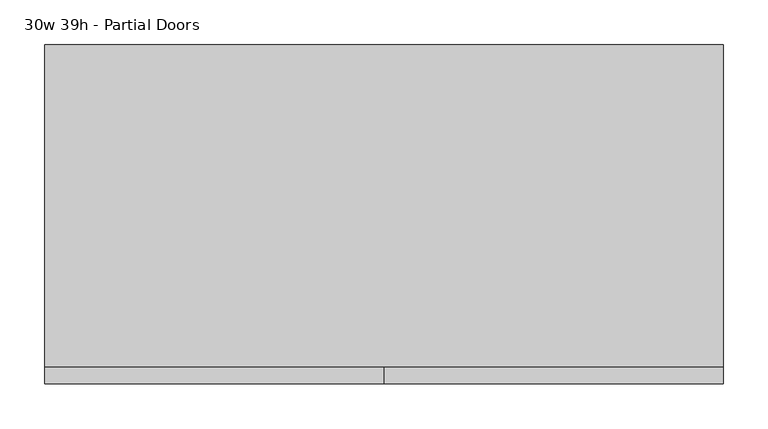
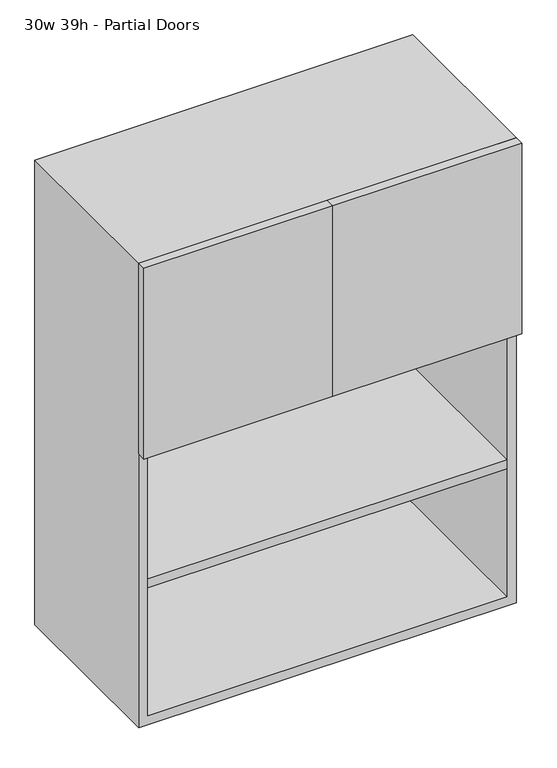
"""IFC4 building model written with IfcOpenShell, lengths in millimetres: furniture geometry, 30w 39h - Partial Doors."""

from ifc_helpers import new_model, si_unit, frame, origin, place, context, project, spatial, polyline, outline, extrude, source, transform, mapped, element, save


def furniture_30w_39h_partial_doors_f328be2a(model_context):
    return source(origin(), model_context, "Body", "SweptSolid", [
        extrude(outline(polyline([(361.9569453, 161.925), (361.9569453, -180.975), (-361.9291641, -180.975), (-361.9291641, 161.925), (361.9569453, 161.925)])), frame((0.0, 0.0, 1320.8), z_axis=(0.0, 0.0, 1.0), x_axis=(1.0, 0.0, 0.0)), (0.0, 0.0, 1.0), 19.05),
        extrude(outline(polyline([(361.9569453, 161.925), (361.9569453, -180.975), (-361.9291641, -180.975), (-361.9291641, 161.925), (361.9569453, 161.925)])), frame((0.0, 0.0, 1028.7), z_axis=(0.0, 0.0, 1.0), x_axis=(1.0, 0.0, 0.0)), (0.0, 0.0, 1.0), 19.05),
        extrude(outline(polyline([(0.0138906, -200.025), (0.0138906, -180.975), (381.0138906, -180.975), (381.0138906, -200.025), (0.0138906, -200.025)])), frame((0.0, 0.0, 1320.8), z_axis=(0.0, 0.0, 1.0), x_axis=(1.0, 0.0, 0.0)), (0.0, 0.0, 1.0), 406.4),
        extrude(outline(polyline([(0.0138906, -200.025), (-380.9861094, -200.025), (-380.9861094, -180.975), (0.0138906, -180.975), (0.0138906, -200.025)])), frame((0.0, 0.0, 1320.8), z_axis=(0.0, 0.0, 1.0), x_axis=(1.0, 0.0, 0.0)), (0.0, 0.0, 1.0), 406.4),
        extrude(outline(polyline([(736.6, -380.9861094), (736.6, 381.0138906), (1727.2, 381.0138906), (1727.2, -380.9861094), (736.6, -380.9861094)]), holes=[polyline([(755.65, -361.9361094), (1708.15, -361.9361094), (1708.15, 361.9569453), (755.65, 361.9569453), (755.65, -361.9361094)])]), frame((0.0, -180.975, 0.0), z_axis=(0.0, 1.0, 0.0), x_axis=(0.0, 0.0, 1.0)), (0.0, 0.0, 1.0), 361.95),
        extrude(outline(polyline([(-361.9291641, 161.925), (-361.9291641, 180.975), (361.9569453, 180.975), (361.9569453, 161.925), (-361.9291641, 161.925)])), frame((0.0, 0.0, 755.65), z_axis=(0.0, 0.0, 1.0), x_axis=(1.0, 0.0, 0.0)), (0.0, 0.0, 1.0), 952.5),
    ])


if __name__ == "__main__":
    model = new_model("IFC4")
    model_context = context("Model", 3, world=origin())
    ifc_project = project(units=[si_unit("LENGTHUNIT", "METRE", prefix="MILLI")], contexts=[model_context])
    site = spatial("IfcSite", under=ifc_project)
    building = spatial("IfcBuilding", under=site)
    placement = place(None, origin())
    furniture_30w_39h_partial_doors_shape = furniture_30w_39h_partial_doors_f328be2a(model_context)
    element("IfcFurniture", 1, ObjectType="30w 39h - Partial Doors", at=placement, inside=building, context=model_context, shape_type="MappedRepresentation", body=[
        mapped(furniture_30w_39h_partial_doors_shape, transform((0.0, 0.0, 0.0), x_axis=(1.0, 0.0, 0.0), y_axis=(0.0, 1.0, 0.0), z_axis=(0.0, 0.0, 1.0))),
    ])
    save(model, "model.ifc")
